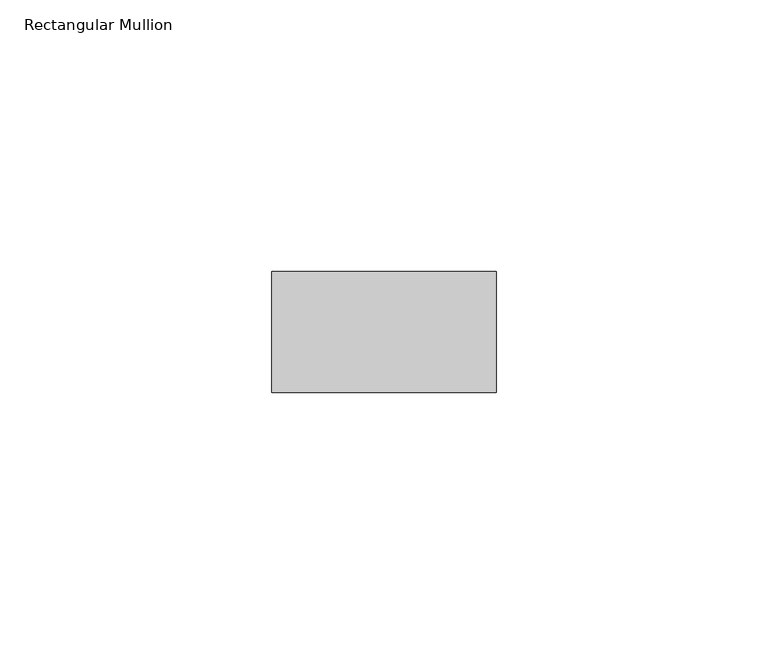
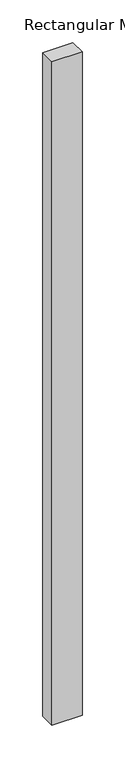
"""IFC4 building model written with IfcOpenShell, lengths in millimetres: member geometry, Rectangular Mullion."""

from ifc_helpers import new_model, si_unit, frame, origin, place, context, project, spatial, polyline, outline, extrude, source, transform, mapped, element, save


def rectangular_mullion_5b09e5c4(model_context):
    return source(origin(), model_context, "Body", "SweptSolid", [
        extrude(outline(polyline([(0.0, -11.1125), (-41.275, -11.1125), (-41.275, 11.1125), (0.0, 11.1125), (0.0, -11.1125)])), frame((0.0, 0.0, -952.5), z_axis=(0.0, 0.0, 1.0), x_axis=(1.0, 0.0, 0.0)), (0.0, 0.0, 1.0), 952.5),
    ])


if __name__ == "__main__":
    model = new_model("IFC4")
    model_context = context("Model", 3, world=origin())
    ifc_project = project(units=[si_unit("LENGTHUNIT", "METRE", prefix="MILLI")], contexts=[model_context])
    site = spatial("IfcSite", under=ifc_project)
    building = spatial("IfcBuilding", under=site)
    placement = place(None, origin())
    rectangular_mullion_shape = rectangular_mullion_5b09e5c4(model_context)
    element("IfcMember", 1, ObjectType="Rectangular Mullion", at=placement, inside=building, context=model_context, shape_type="MappedRepresentation", body=[
        mapped(rectangular_mullion_shape, transform((0.0, 0.0, 0.0), x_axis=(1.0, 0.0, 0.0), y_axis=(0.0, 1.0, 0.0), z_axis=(0.0, 0.0, 1.0))),
    ])
    save(model, "model.ifc")
